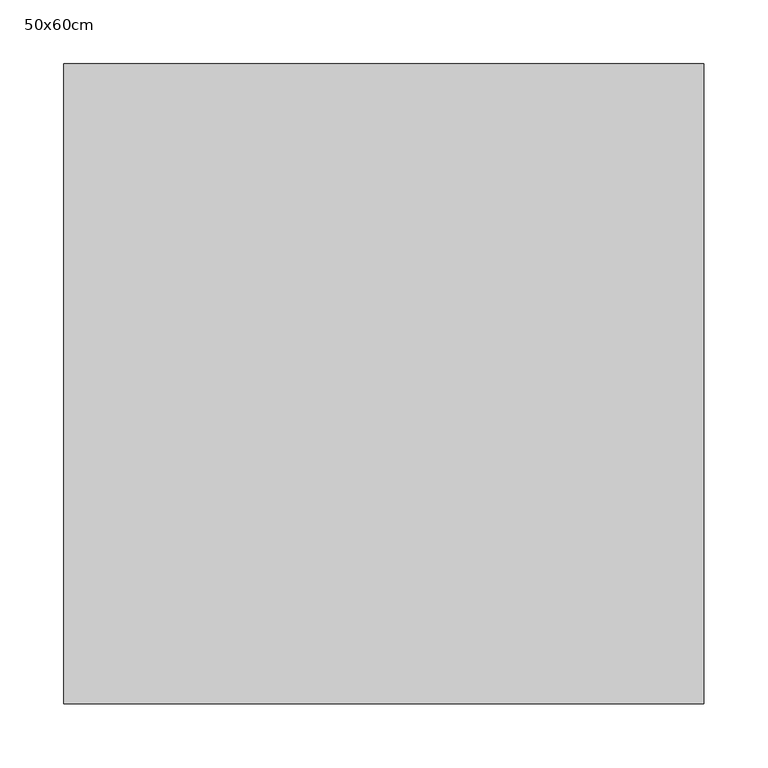
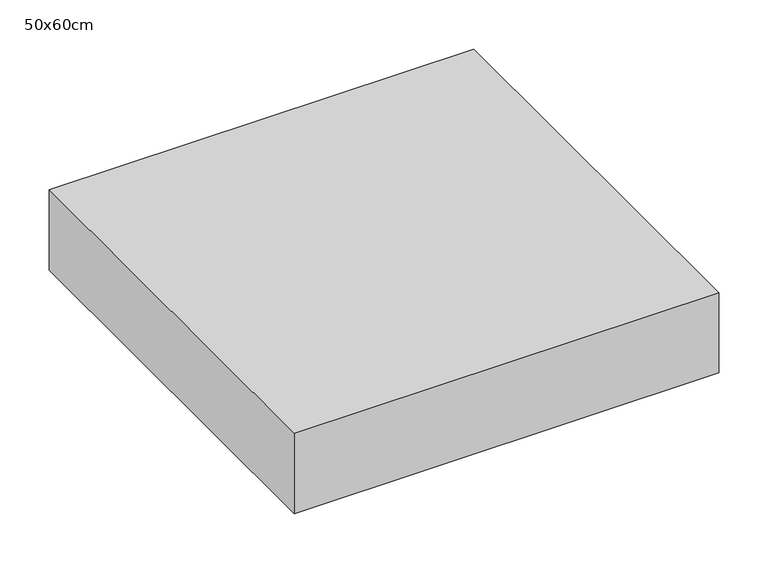
"""IFC4 building model written with IfcOpenShell, lengths in millimetres: proxy geometry, 50x60cm."""

from ifc_helpers import new_model, si_unit, frame, origin, place, context, project, spatial, polyline, outline, extrude, source, transform, mapped, element, save


def proxy_50x60cm_c3bae3a7(model_context):
    return source(origin(), model_context, "Body", "SweptSolid", [
        extrude(outline(polyline([(500.0, 500.0), (500.0, 0.0), (0.0, 0.0), (0.0, 500.0), (500.0, 500.0)])), frame((0.0, 0.0, 100.0), z_axis=(0.0, 0.0, 1.0), x_axis=(1.0, 0.0, 0.0)), (0.0, 0.0, 1.0), 100.0),
    ])


if __name__ == "__main__":
    model = new_model("IFC4")
    model_context = context("Model", 3, world=origin())
    ifc_project = project(units=[si_unit("LENGTHUNIT", "METRE", prefix="MILLI")], contexts=[model_context])
    site = spatial("IfcSite", under=ifc_project)
    building = spatial("IfcBuilding", under=site)
    placement = place(None, origin())
    proxy_50x60cm_shape = proxy_50x60cm_c3bae3a7(model_context)
    element("IfcBuildingElementProxy", 1, Name="50x60cm", ObjectType="50x60cm", at=placement, inside=building, context=model_context, shape_type="MappedRepresentation", body=[
        mapped(proxy_50x60cm_shape, transform((0.0, 0.0, 0.0), x_axis=(1.0, 0.0, 0.0), y_axis=(0.0, 1.0, 0.0), z_axis=(0.0, 0.0, 1.0))),
    ])
    save(model, "model.ifc")
